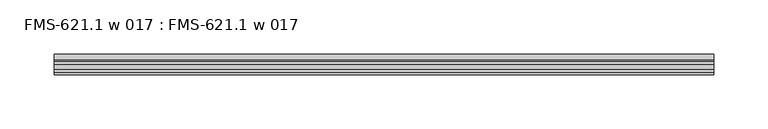
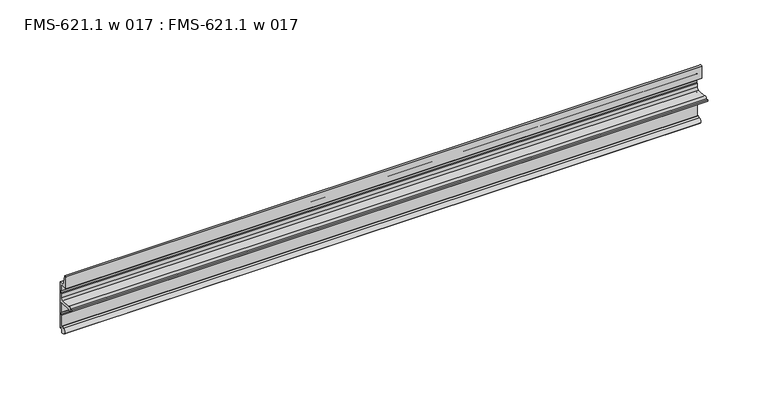
"""IFC4 building model written with IfcOpenShell, lengths in millimetres: proxy geometry, FMS-621.1 w 017 : FMS-621.1 w 017."""

from ifc_helpers import new_model, si_unit, point, frame, frame_2d, origin, place, context, project, spatial, polyline, circle_curve, trimmed, segment, composite_curve, outline, extrude, source, transform, mapped, element, save


def fms_621_1_w_017_fms_621_1_w_017_a3e2fe77(model_context):
    return source(origin(), model_context, "Body", "SweptSolid", [
        extrude(outline(composite_curve([segment(polyline([(0.0, 3.5976257), (-1.3075622, 3.5976257)]), True, "CONTINUOUS"), segment(trimmed(circle_curve(frame_2d((-1.3075622, 2.0101257)), 1.5875), [point((-1.3075622, 3.5976257))], [point((-2.8950622, 2.0101257))], True, "CARTESIAN"), True, "CONTINUOUS"), segment(polyline([(-2.8950622, 2.0101257), (-2.8950622, 0.5821892)]), True, "CONTINUOUS"), segment(trimmed(circle_curve(frame_2d((-3.2390394, 0.3648147)), 0.4069054), [point((-2.8950622, 0.5821892))], [point((-3.4192677, 0.0))], False, "CARTESIAN"), True, "CONTINUOUS"), segment(polyline([(-3.4192677, 0.0), (-5.4099313, 0.6213088)]), True, "CONTINUOUS"), segment(trimmed(circle_curve(frame_2d((-4.5018192, 3.5308855)), 3.048), [point((-5.4099313, 0.6213088))], [point((-7.1037699, 1.9433855))], False, "CARTESIAN"), True, "CONTINUOUS"), segment(trimmed(circle_curve(frame_2d((-4.5018192, 3.5308855)), 3.048), [point((-7.1037699, 1.9433855))], [point((-5.4099313, 6.4404622))], False, "CARTESIAN"), True, "CONTINUOUS"), segment(polyline([(-5.4099313, 6.4404622), (-3.594244, 7.0071589)]), True, "CONTINUOUS"), segment(trimmed(circle_curve(frame_2d((-3.2930749, 6.7333166)), 0.4070533), [point((-3.594244, 7.0071589))], [point((-2.8945091, 6.6506262))], False, "CARTESIAN"), True, "CONTINUOUS"), segment(polyline([(-2.8945091, 6.6506262), (-2.8345669, 5.8400772)]), True, "CONTINUOUS"), segment(trimmed(circle_curve(frame_2d((-2.2172671, 6.0403604)), 0.6489779), [point((-2.8345669, 5.8400772))], [point((-1.5875, 5.8836257))], True, "CARTESIAN"), True, "CONTINUOUS"), segment(polyline([(-1.5875, 5.8836257), (-1.5875, 17.0712378), (-1.0783361, 17.6781651), (-1.0783361, 19.6174727), (-1.5875, 20.2462378), (-1.5875, 28.7874992)]), True, "CONTINUOUS"), segment(trimmed(circle_curve(frame_2d((-3.6195, 28.7874992)), 2.032), [point((-1.5875, 28.7874992))], [point((-3.6195, 30.8194992))], True, "CARTESIAN"), True, "CONTINUOUS"), segment(polyline([(-3.6195, 30.8194992), (-13.9023465, 30.8194992)]), True, "CONTINUOUS"), segment(trimmed(circle_curve(frame_2d((-15.4225031, 31.2406846)), 1.5774262), [point((-13.9023465, 30.8194992))], [point((-16.9973031, 31.1496992))], False, "CARTESIAN"), True, "CONTINUOUS"), segment(polyline([(-16.9973031, 31.1496992), (-19.1515193, 31.1496992), (-19.1515193, 32.7371992), (-16.9973031, 32.7371992)]), True, "CONTINUOUS"), segment(trimmed(circle_curve(frame_2d((-15.4225031, 32.6462138)), 1.5774262), [point((-16.9973031, 32.7371992))], [point((-13.9023465, 33.0673992))], False, "CARTESIAN"), True, "CONTINUOUS"), segment(polyline([(-13.9023465, 33.0673992), (-3.6195, 33.0673992)]), True, "CONTINUOUS"), segment(trimmed(circle_curve(frame_2d((-3.6195, 35.0993992)), 2.032), [point((-3.6195, 33.0673992))], [point((-1.5875, 35.0993992))], True, "CARTESIAN"), True, "CONTINUOUS"), segment(polyline([(-1.5875, 35.0993992), (-1.5875, 39.0871991), (-1.0783361, 39.7141868), (-1.0783361, 41.6554013), (-1.5875, 42.2621991), (-1.5875, 47.8171791)]), True, "CONTINUOUS"), segment(trimmed(circle_curve(frame_2d((-2.38252, 47.8171791)), 0.79502), [point((-1.5875, 47.8171791))], [point((-2.38252, 48.6121991))], True, "CARTESIAN"), True, "CONTINUOUS"), segment(polyline([(-2.38252, 48.6121991), (-9.525, 48.6121991), (-9.525, 60.7630861)]), True, "CONTINUOUS"), segment(trimmed(circle_curve(frame_2d((-8.3643154, 59.5243243)), 1.6975628), [point((-9.525, 60.7630861))], [point((-7.2036308, 60.7630861))], False, "CARTESIAN"), True, "CONTINUOUS"), segment(polyline([(-7.2036308, 60.7630861), (-5.392657, 50.1869991), (0.0, 50.1869991), (0.0, 3.5976257)]), True, "CONTINUOUS")], self_intersect=False)), frame((0.0, 0.0, 0.0), z_axis=(1.0, 0.0, 0.0), x_axis=(0.0, 1.0, 0.0)), (0.0, 0.0, 1.0), 609.6),
    ])


if __name__ == "__main__":
    model = new_model("IFC4")
    model_context = context("Model", 3, world=origin())
    ifc_project = project(units=[si_unit("LENGTHUNIT", "METRE", prefix="MILLI")], contexts=[model_context])
    site = spatial("IfcSite", under=ifc_project)
    building = spatial("IfcBuilding", under=site)
    placement = place(None, origin())
    fms_621_1_w_017_fms_621_1_w_017_shape = fms_621_1_w_017_fms_621_1_w_017_a3e2fe77(model_context)
    element("IfcBuildingElementProxy", 1, Name="FMS-621.1 w 017 : FMS-621.1 w 017", ObjectType="FMS-621.1 w 017 : FMS-621.1 w 017", at=placement, inside=building, context=model_context, shape_type="MappedRepresentation", body=[
        mapped(fms_621_1_w_017_fms_621_1_w_017_shape, transform((0.0, 0.0, 0.0), x_axis=(1.0, 0.0, 0.0), y_axis=(0.0, 1.0, 0.0), z_axis=(0.0, 0.0, 1.0))),
    ])
    save(model, "model.ifc")
